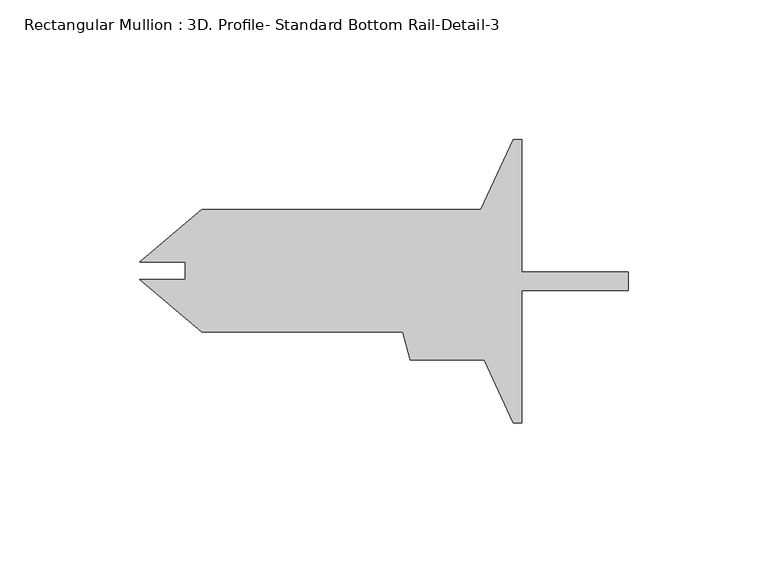
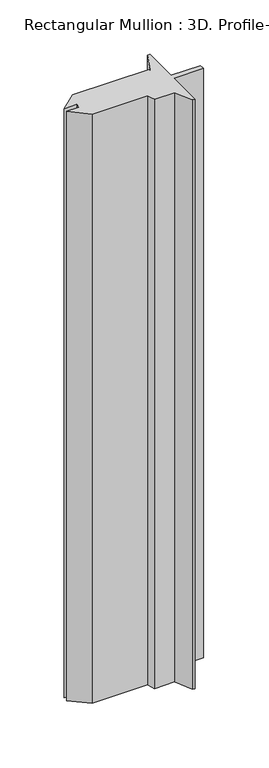
"""IFC4 building model written with IfcOpenShell, lengths in millimetres: member geometry, Rectangular Mullion : 3D. Profile- Standard Bottom Rail-Detail-3."""

from ifc_helpers import new_model, si_unit, frame, origin, place, context, project, spatial, polyline, outline, extrude, source, transform, mapped, element, save


def rectangular_mullion_3d_profile_standard_bottom_rail_detail_3_ae81a1c9(model_context):
    return source(origin(), model_context, "Body", "SweptSolid", [
        extrude(outline(polyline([(-38.1000436, 17.2032143), (0.0, 17.2032143), (0.0, 10.4722143), (-38.1000436, 10.4722143), (-38.1000436, -36.9622857), (-41.2128035, -36.9622857), (-51.5917759, -14.4070857), (-78.0418662, -14.4070857), (-80.7411876, -4.3330812), (-152.7178004, -4.3330812), (-175.042608, 14.3996566), (-158.7640136, 14.3996566), (-158.7640136, 20.7237742), (-175.0426159, 20.7237742), (-152.7178004, 39.4565188), (-52.8001507, 39.4565188), (-41.2128035, 64.6377143), (-38.1000436, 64.6377143), (-38.1000436, 17.2032143)])), frame((0.0, 0.0, -807.9076582), z_axis=(0.0, 0.0, 1.0), x_axis=(1.0, 0.0, 0.0)), (0.0, 0.0, 1.0), 807.9076582),
    ])


if __name__ == "__main__":
    model = new_model("IFC4")
    model_context = context("Model", 3, world=origin())
    ifc_project = project(units=[si_unit("LENGTHUNIT", "METRE", prefix="MILLI")], contexts=[model_context])
    site = spatial("IfcSite", under=ifc_project)
    building = spatial("IfcBuilding", under=site)
    placement = place(None, origin())
    rectangular_mullion_3d_profile_standard_bottom_rail_detail_3_shape = rectangular_mullion_3d_profile_standard_bottom_rail_detail_3_ae81a1c9(model_context)
    element("IfcMember", 1, ObjectType="Rectangular Mullion : 3D. Profile- Standard Bottom Rail-Detail-3", at=placement, inside=building, context=model_context, shape_type="MappedRepresentation", body=[
        mapped(rectangular_mullion_3d_profile_standard_bottom_rail_detail_3_shape, transform((0.0, 0.0, 0.0), x_axis=(1.0, 0.0, 0.0), y_axis=(0.0, 1.0, 0.0), z_axis=(0.0, 0.0, 1.0))),
    ])
    save(model, "model.ifc")
